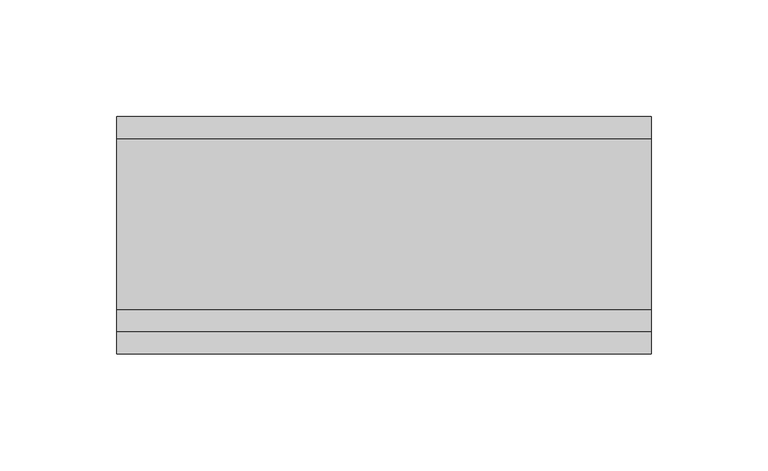
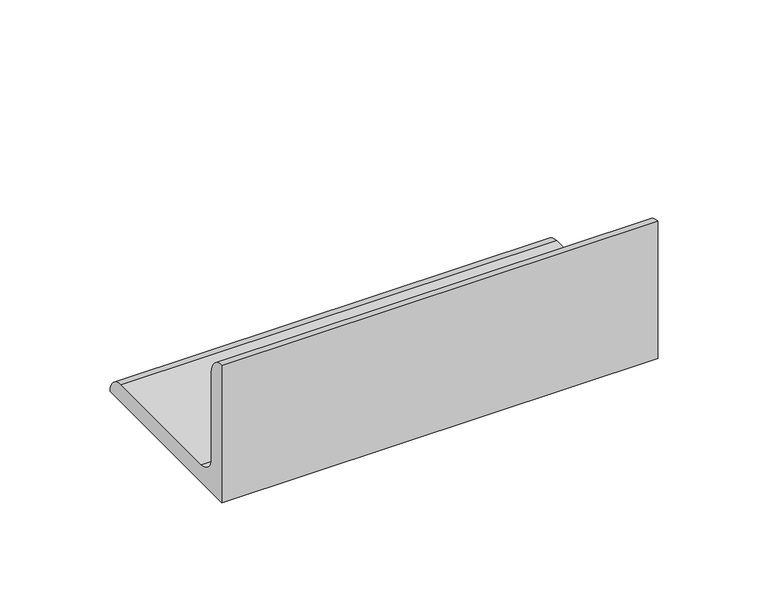
"""IFC4 building model written with IfcOpenShell, lengths in millimetres: fastener geometry."""

from ifc_helpers import new_model, si_unit, point, frame, frame_2d, origin, place, context, project, spatial, polyline, circle_curve, trimmed, segment, composite_curve, outline, extrude, source, transform, mapped, element, save


def fastener_e953879e(model_context):
    return source(origin(), model_context, "Body", "SweptSolid", [
        extrude(outline(composite_curve([segment(trimmed(circle_curve(frame_2d((92.0749846, 0.0)), 9.5250154), [point((92.0749846, 9.5250154))], [point((101.6, 0.0))], False, "CARTESIAN"), True, "CONTINUOUS"), segment(polyline([(101.6, 0.0), (0.0, 0.0), (0.0, 76.2)]), True, "CONTINUOUS"), segment(trimmed(circle_curve(frame_2d((3.72e-05, 66.675)), 9.525), [point((0.0, 76.2))], [point((9.5250372, 66.6749978))], False, "CARTESIAN"), True, "CONTINUOUS"), segment(polyline([(9.5250372, 66.6749978), (9.525026, 19.0500217)]), True, "CONTINUOUS"), segment(trimmed(circle_curve(frame_2d((19.0500301, 19.0500195)), 9.5250041), [point((9.525026, 19.0500217))], [point((19.0500301, 9.5250154))], True, "CARTESIAN"), True, "CONTINUOUS"), segment(polyline([(19.0500301, 9.5250154), (92.0749846, 9.5250154)]), True, "CONTINUOUS")], self_intersect=False)), frame((-114.3, 0.0, 0.0), z_axis=(1.0, 0.0, 0.0), x_axis=(0.0, 1.0, 0.0)), (0.0, 0.0, 1.0), 228.6),
    ])


if __name__ == "__main__":
    model = new_model("IFC4")
    model_context = context("Model", 3, world=origin())
    ifc_project = project(units=[si_unit("LENGTHUNIT", "METRE", prefix="MILLI")], contexts=[model_context])
    site = spatial("IfcSite", under=ifc_project)
    building = spatial("IfcBuilding", under=site)
    placement = place(None, origin())
    fastener_shape = fastener_e953879e(model_context)
    element("IfcFastener", 1, at=placement, inside=building, context=model_context, shape_type="MappedRepresentation", body=[
        mapped(fastener_shape, transform((0.0, 0.0, 0.0), x_axis=(1.0, 0.0, 0.0), y_axis=(0.0, 1.0, 0.0), z_axis=(0.0, 0.0, 1.0))),
    ])
    save(model, "model.ifc")
